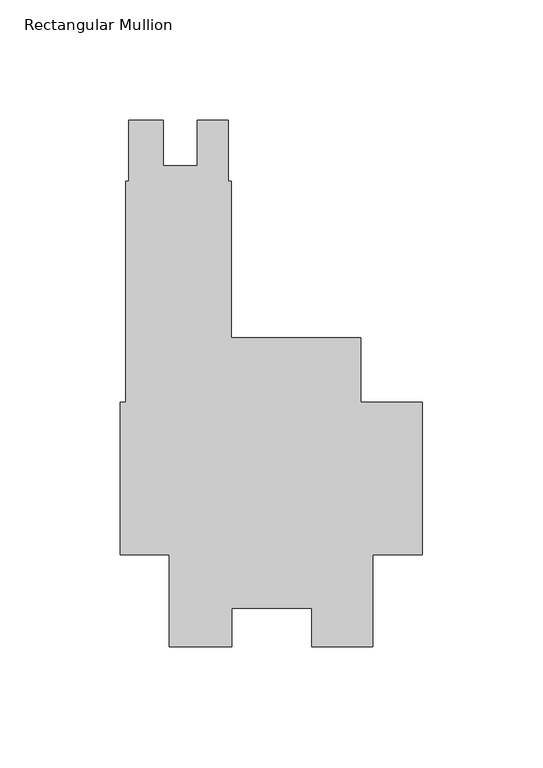
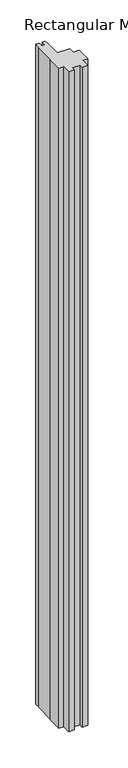
"""IFC4 building model written with IfcOpenShell, lengths in millimetres: member geometry, Rectangular Mullion."""

from ifc_helpers import new_model, si_unit, frame, origin, place, context, project, spatial, polyline, outline, extrude, source, transform, mapped, element, save


def rectangular_mullion_f3f24ccc(model_context):
    return source(origin(), model_context, "Body", "SweptSolid", [
        extrude(outline(polyline([(-122.1422337, 132.55625), (-107.88015, 132.55625), (-107.88015, 113.5189509), (-93.59265, 113.5189509), (-93.59265, 132.55625), (-80.87995, 132.55625), (-80.87995, 107.15625), (-79.60995, 107.15625), (-79.60995, 42.05605), (-25.577927, 42.05605), (-25.577927, 15.08125), (0.0, 15.08125), (0.0, -48.41875), (-20.6735973, -48.41875), (-20.6735973, -86.51875), (-45.9670891, -86.51875), (-45.9670891, -70.6288534), (-79.3689318, -70.6288534), (-79.3689318, -86.5419534), (-105.2447888, -86.5419534), (-105.2447888, -48.41875), (-125.7808, -48.41875), (-125.7808, 15.08125), (-123.39955, 15.08125), (-123.39955, 107.15625), (-122.1422337, 107.15625), (-122.1422337, 132.55625)])), frame((0.0, 0.0, -3048.0), z_axis=(0.0, 0.0, 1.0), x_axis=(1.0, 0.0, 0.0)), (0.0, 0.0, 1.0), 3048.0),
    ])


if __name__ == "__main__":
    model = new_model("IFC4")
    model_context = context("Model", 3, world=origin())
    ifc_project = project(units=[si_unit("LENGTHUNIT", "METRE", prefix="MILLI")], contexts=[model_context])
    site = spatial("IfcSite", under=ifc_project)
    building = spatial("IfcBuilding", under=site)
    placement = place(None, origin())
    rectangular_mullion_shape = rectangular_mullion_f3f24ccc(model_context)
    element("IfcMember", 1, ObjectType="Rectangular Mullion", at=placement, inside=building, context=model_context, shape_type="MappedRepresentation", body=[
        mapped(rectangular_mullion_shape, transform((0.0, 0.0, 0.0), x_axis=(1.0, 0.0, 0.0), y_axis=(0.0, 1.0, 0.0), z_axis=(0.0, 0.0, 1.0))),
    ])
    save(model, "model.ifc")
